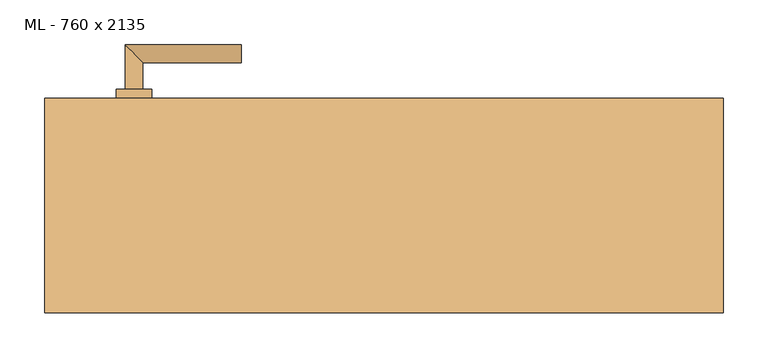
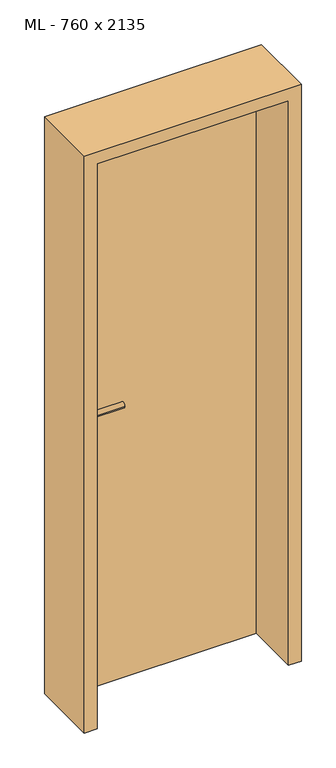
"""IFC4 building model written with IfcOpenShell, lengths in millimetres: door geometry, ML - 760 x 2135."""

from ifc_helpers import new_model, si_unit, point, frame, frame_2d, origin, origin_with_axes, place, context, project, spatial, polyline, circle_curve, ellipse_curve, trimmed, segment, composite_curve, outline, extrude, faceted_brep, source, transform, mapped, element, save
from ifc_brep_helpers import plane_surface, cylinder_surface, advanced_brep


def ml_760_x_2135_5be0885f(model_context):
    return source(origin(), model_context, "Body", "SolidModel", [
        extrude(outline(polyline([(346.0, 120.0), (346.0, 75.0), (-346.0, 75.0), (-346.0, 120.0), (346.0, 120.0)])), origin_with_axes(), (0.0, 0.0, 1.0), 2101.0),
        advanced_brep(
        [(-270.0, 130.0, 1050.0), (-290.0, 130.0, 1050.0), (-270.0, 160.0, 1050.0), (-290.0, 180.0, 1050.0), (-160.0, 160.0, 1050.0), (-160.0, 180.0, 1050.0)],
        [
            (0, 1, circle_curve(frame((-280.0, 130.0, 1050.0), z_axis=(0.0, -1.0, 0.0), x_axis=(-1.0, 0.0, 0.0)), 10.0)),
            (1, 0, circle_curve(frame((-280.0, 130.0, 1050.0), z_axis=(0.0, -1.0, 0.0), x_axis=(-1.0, 0.0, 0.0)), 10.0)),
            (0, 2),
            (2, 3, ellipse_curve(frame((-280.0, 170.0, 1050.0), z_axis=(-0.7071067811865531, -0.7071067811865419, 0.0), x_axis=(0.707106781186542, -0.707106781186553, 0.0)), 14.1421356, 10.0)),
            (3, 1),
            (3, 2, ellipse_curve(frame((-280.0, 170.0, 1050.0), z_axis=(-0.7071067811865531, -0.7071067811865419, 0.0), x_axis=(0.707106781186542, -0.707106781186553, 0.0)), 14.1421356, 10.0)),
            (4, 5, circle_curve(frame((-160.0, 170.0, 1050.0), z_axis=(1.0, 0.0, 0.0), x_axis=(0.0, 1.0, 0.0)), 10.0)),
            (5, 4, circle_curve(frame((-160.0, 170.0, 1050.0), z_axis=(1.0, 0.0, 0.0), x_axis=(0.0, 1.0, 0.0)), 10.0)),
            (2, 4),
            (5, 3),
        ],
        [
            plane_surface(frame((-280.0, 130.0, 1050.0), z_axis=(0.0, -1.0, 0.0), x_axis=(0.0, 0.0, 1.0))),
            cylinder_surface(frame((-280.0, 130.0, 1050.0), z_axis=(0.0, -1.0, 0.0), x_axis=(-1.0, 0.0, 0.0)), 10.0),
            plane_surface(frame((-160.0, 170.0, 1050.0), z_axis=(1.0, 0.0, 0.0), x_axis=(0.0, 0.0, 1.0))),
            cylinder_surface(frame((-280.0, 170.0, 1050.0), z_axis=(-1.0, 0.0, 0.0), x_axis=(0.0, 1.0, 0.0)), 10.0),
        ],
        [
            (0, [[1, 2]]),
            (1, [[-1, 3, 4, 5]]),
            (1, [[-2, -5, 6, -3]]),
            (2, [[7, 8]]),
            (3, [[-4, 9, -8, 10]]),
            (3, [[-6, -10, -7, -9]]),
        ],
    ),
        extrude(outline(composite_curve([segment(trimmed(circle_curve(frame_2d((990.0, -280.0)), 20.0), [point((990.0, -300.0))], [point((990.0, -260.0))], False, "CARTESIAN"), True, "CONTINUOUS"), segment(trimmed(circle_curve(frame_2d((990.0, -280.0)), 20.0), [point((990.0, -260.0))], [point((990.0, -300.0))], False, "CARTESIAN"), True, "CONTINUOUS")], self_intersect=False), holes=[composite_curve([segment(polyline([(976.4601385, -282.397268), (988.4749012, -282.397268)]), True, "CONTINUOUS"), segment(trimmed(circle_curve(frame_2d((995.0361633, -280.0)), 6.9854888), [point((988.4749012, -282.397268))], [point((988.4749012, -277.602732))], True, "CARTESIAN"), True, "CONTINUOUS"), segment(polyline([(988.4749012, -277.602732), (976.4601385, -277.602732)]), True, "CONTINUOUS"), segment(trimmed(circle_curve(frame_2d((976.4601385, -280.0)), 2.397268), [point((976.4601385, -277.602732))], [point((976.4601385, -282.397268))], True, "CARTESIAN"), True, "CONTINUOUS")], self_intersect=False)]), frame((0.0, 120.0, 0.0), z_axis=(0.0, 1.0, 0.0), x_axis=(0.0, 0.0, 1.0)), (0.0, 0.0, 1.0), 10.0),
        advanced_brep(
        [(-270.0, 130.0, 1050.0), (-290.0, 130.0, 1050.0), (-270.0, 160.0, 1050.0), (-290.0, 180.0, 1050.0), (-160.0, 160.0, 1050.0), (-160.0, 180.0, 1050.0)],
        [
            (0, 1, circle_curve(frame((-280.0, 130.0, 1050.0), z_axis=(0.0, -1.0, 0.0), x_axis=(-1.0, 0.0, 0.0)), 10.0)),
            (1, 0, circle_curve(frame((-280.0, 130.0, 1050.0), z_axis=(0.0, -1.0, 0.0), x_axis=(-1.0, 0.0, 0.0)), 10.0)),
            (0, 2),
            (2, 3, ellipse_curve(frame((-280.0, 170.0, 1050.0), z_axis=(-0.7071067811865537, -0.7071067811865414, 0.0), x_axis=(0.7071067811865414, -0.7071067811865536, 0.0)), 14.1421356, 10.0)),
            (3, 1),
            (3, 2, ellipse_curve(frame((-280.0, 170.0, 1050.0), z_axis=(-0.7071067811865537, -0.7071067811865414, 0.0), x_axis=(0.7071067811865414, -0.7071067811865536, 0.0)), 14.1421356, 10.0)),
            (4, 5, circle_curve(frame((-160.0, 170.0, 1050.0), z_axis=(1.0, 0.0, 0.0), x_axis=(0.0, 1.0, 0.0)), 10.0)),
            (5, 4, circle_curve(frame((-160.0, 170.0, 1050.0), z_axis=(1.0, 0.0, 0.0), x_axis=(0.0, 1.0, 0.0)), 10.0)),
            (2, 4),
            (5, 3),
        ],
        [
            plane_surface(frame((-280.0, 130.0, 1050.0), z_axis=(0.0, -1.0, 0.0), x_axis=(0.0, 0.0, 1.0))),
            cylinder_surface(frame((-280.0, 130.0, 1050.0), z_axis=(0.0, -1.0, 0.0), x_axis=(-1.0, 0.0, 0.0)), 10.0),
            plane_surface(frame((-160.0, 170.0, 1050.0), z_axis=(1.0, 0.0, 0.0), x_axis=(0.0, 0.0, 1.0))),
            cylinder_surface(frame((-280.0, 170.0, 1050.0), z_axis=(-1.0, 0.0, 0.0), x_axis=(0.0, 1.0, 0.0)), 10.0),
        ],
        [
            (0, [[1, 2]]),
            (1, [[-1, 3, 4, 5]]),
            (1, [[-2, -5, 6, -3]]),
            (2, [[7, 8]]),
            (3, [[-4, 9, -8, 10]]),
            (3, [[-6, -10, -7, -9]]),
        ],
    ),
        extrude(outline(composite_curve([segment(trimmed(circle_curve(frame_2d((1050.0, -280.0)), 20.0), [point((1050.0, -300.0))], [point((1050.0, -260.0))], False, "CARTESIAN"), True, "CONTINUOUS"), segment(trimmed(circle_curve(frame_2d((1050.0, -280.0)), 20.0), [point((1050.0, -260.0))], [point((1050.0, -300.0))], False, "CARTESIAN"), True, "CONTINUOUS")], self_intersect=False)), frame((0.0, 120.0, 0.0), z_axis=(0.0, 1.0, 0.0), x_axis=(0.0, 0.0, 1.0)), (0.0, 0.0, 1.0), 10.0),
        advanced_brep(
        [(-270.0, 65.0, 1050.0), (-290.0, 65.0, 1050.0), (-290.0, 15.0, 1050.0), (-270.0, 35.0, 1050.0), (-160.0, 35.0, 1050.0), (-160.0, 15.0, 1050.0)],
        [
            (0, 1, circle_curve(frame((-280.0, 65.0, 1050.0), z_axis=(0.0, 1.0, 0.0), x_axis=(-1.0, 0.0, 0.0)), 10.0)),
            (1, 0, circle_curve(frame((-280.0, 65.0, 1050.0), z_axis=(0.0, 1.0, 0.0), x_axis=(-1.0, 0.0, 0.0)), 10.0)),
            (1, 2),
            (2, 3, ellipse_curve(frame((-280.0, 25.0, 1050.0), z_axis=(-0.7071067811865486, 0.7071067811865464, 0.0), x_axis=(0.7071067811865464, 0.7071067811865488, 0.0)), 14.1421356, 10.0)),
            (3, 0),
            (3, 2, ellipse_curve(frame((-280.0, 25.0, 1050.0), z_axis=(-0.7071067811865486, 0.7071067811865464, 0.0), x_axis=(0.7071067811865464, 0.7071067811865488, 0.0)), 14.1421356, 10.0)),
            (4, 5, circle_curve(frame((-160.0, 25.0, 1050.0), z_axis=(1.0, 0.0, 0.0), x_axis=(0.0, -1.0, 0.0)), 10.0)),
            (5, 4, circle_curve(frame((-160.0, 25.0, 1050.0), z_axis=(1.0, 0.0, 0.0), x_axis=(0.0, -1.0, 0.0)), 10.0)),
            (2, 5),
            (4, 3),
        ],
        [
            plane_surface(frame((-280.0, 65.0, 1050.0), z_axis=(0.0, 1.0, 0.0), x_axis=(0.0, 0.0, 1.0))),
            cylinder_surface(frame((-280.0, 65.0, 1050.0), z_axis=(0.0, 1.0, 0.0), x_axis=(-1.0, 0.0, 0.0)), 10.0),
            plane_surface(frame((-160.0, 25.0, 1050.0), z_axis=(1.0, 0.0, 0.0), x_axis=(0.0, 0.0, 1.0))),
            cylinder_surface(frame((-280.0, 25.0, 1050.0), z_axis=(-1.0, 0.0, 0.0), x_axis=(0.0, -1.0, 0.0)), 10.0),
        ],
        [
            (0, [[1, 2]]),
            (1, [[3, 4, 5, -2]]),
            (1, [[-5, 6, -3, -1]]),
            (2, [[7, 8]]),
            (3, [[9, -7, 10, -4]]),
            (3, [[-10, -8, -9, -6]]),
        ],
    ),
        extrude(outline(composite_curve([segment(trimmed(circle_curve(frame_2d((990.0, -280.0)), 20.0), [point((990.0, -300.0))], [point((990.0, -260.0))], False, "CARTESIAN"), True, "CONTINUOUS"), segment(trimmed(circle_curve(frame_2d((990.0, -280.0)), 20.0), [point((990.0, -260.0))], [point((990.0, -300.0))], False, "CARTESIAN"), True, "CONTINUOUS")], self_intersect=False), holes=[composite_curve([segment(polyline([(976.4601385, -282.397268), (988.4749012, -282.397268)]), True, "CONTINUOUS"), segment(trimmed(circle_curve(frame_2d((995.0361633, -280.0)), 6.9854888), [point((988.4749012, -282.397268))], [point((988.4749012, -277.602732))], True, "CARTESIAN"), True, "CONTINUOUS"), segment(polyline([(988.4749012, -277.602732), (976.4601385, -277.602732)]), True, "CONTINUOUS"), segment(trimmed(circle_curve(frame_2d((976.4601385, -280.0)), 2.397268), [point((976.4601385, -277.602732))], [point((976.4601385, -282.397268))], True, "CARTESIAN"), True, "CONTINUOUS")], self_intersect=False)]), frame((0.0, 65.0, 0.0), z_axis=(0.0, 1.0, 0.0), x_axis=(0.0, 0.0, 1.0)), (0.0, 0.0, 1.0), 10.0),
        advanced_brep(
        [(-270.0, 65.0, 1050.0), (-290.0, 65.0, 1050.0), (-290.0, 15.0, 1050.0), (-270.0, 35.0, 1050.0), (-160.0, 35.0, 1050.0), (-160.0, 15.0, 1050.0)],
        [
            (0, 1, circle_curve(frame((-280.0, 65.0, 1050.0), z_axis=(0.0, 1.0, 0.0), x_axis=(-1.0, 0.0, 0.0)), 10.0)),
            (1, 0, circle_curve(frame((-280.0, 65.0, 1050.0), z_axis=(0.0, 1.0, 0.0), x_axis=(-1.0, 0.0, 0.0)), 10.0)),
            (1, 2),
            (2, 3, ellipse_curve(frame((-280.0, 25.0, 1050.0), z_axis=(-0.7071067811865491, 0.7071067811865459, 0.0), x_axis=(0.7071067811865458, 0.7071067811865492, 0.0)), 14.1421356, 10.0)),
            (3, 0),
            (3, 2, ellipse_curve(frame((-280.0, 25.0, 1050.0), z_axis=(-0.7071067811865491, 0.7071067811865459, 0.0), x_axis=(0.7071067811865458, 0.7071067811865492, 0.0)), 14.1421356, 10.0)),
            (4, 5, circle_curve(frame((-160.0, 25.0, 1050.0), z_axis=(1.0, 0.0, 0.0), x_axis=(0.0, -1.0, 0.0)), 10.0)),
            (5, 4, circle_curve(frame((-160.0, 25.0, 1050.0), z_axis=(1.0, 0.0, 0.0), x_axis=(0.0, -1.0, 0.0)), 10.0)),
            (2, 5),
            (4, 3),
        ],
        [
            plane_surface(frame((-280.0, 65.0, 1050.0), z_axis=(0.0, 1.0, 0.0), x_axis=(0.0, 0.0, 1.0))),
            cylinder_surface(frame((-280.0, 65.0, 1050.0), z_axis=(0.0, 1.0, 0.0), x_axis=(-1.0, 0.0, 0.0)), 10.0),
            plane_surface(frame((-160.0, 25.0, 1050.0), z_axis=(1.0, 0.0, 0.0), x_axis=(0.0, 0.0, 1.0))),
            cylinder_surface(frame((-280.0, 25.0, 1050.0), z_axis=(-1.0, 0.0, 0.0), x_axis=(0.0, -1.0, 0.0)), 10.0),
        ],
        [
            (0, [[1, 2]]),
            (1, [[3, 4, 5, -2]]),
            (1, [[-5, 6, -3, -1]]),
            (2, [[7, 8]]),
            (3, [[9, -7, 10, -4]]),
            (3, [[-10, -8, -9, -6]]),
        ],
    ),
        extrude(outline(composite_curve([segment(trimmed(circle_curve(frame_2d((1050.0, -280.0)), 20.0), [point((1050.0, -300.0))], [point((1050.0, -260.0))], False, "CARTESIAN"), True, "CONTINUOUS"), segment(trimmed(circle_curve(frame_2d((1050.0, -280.0)), 20.0), [point((1050.0, -260.0))], [point((1050.0, -300.0))], False, "CARTESIAN"), True, "CONTINUOUS")], self_intersect=False)), frame((0.0, 65.0, 0.0), z_axis=(0.0, 1.0, 0.0), x_axis=(0.0, 0.0, 1.0)), (0.0, 0.0, 1.0), 10.0),
        faceted_brep([(-350.0, 120.0, 0.0), (-350.0, 75.0, 0.0), (-335.0, 75.0, 0.0), (-335.0, -120.0, 0.0), (-380.0, -120.0, 0.0), (-380.0, 120.0, 0.0), (-350.0, 120.0, 2105.0), (-350.0, 75.0, 2105.0), (350.0, 75.0, 2105.0), (350.0, 75.0, 0.0), (335.0, 75.0, 0.0), (335.0, 75.0, 2090.0), (-335.0, 75.0, 2090.0), (-335.0, -120.0, 2090.0), (335.0, -120.0, 2090.0), (335.0, -120.0, 0.0), (380.0, -120.0, 0.0), (380.0, -120.0, 2135.0), (-380.0, -120.0, 2135.0), (-380.0, 120.0, 2135.0), (380.0, 120.0, 2135.0), (380.0, 120.0, 0.0), (350.0, 120.0, 0.0), (350.0, 120.0, 2105.0)], [[[0, 1, 2, 3, 4, 5]], [[1, 0, 6, 7]], [[2, 1, 7, 8, 9, 10, 11, 12]], [[3, 2, 12, 13]], [[4, 3, 13, 14, 15, 16, 17, 18]], [[5, 4, 18, 19]], [[0, 5, 19, 20, 21, 22, 23, 6]], [[20, 17, 16, 21]], [[22, 21, 16, 15, 10, 9]], [[8, 23, 22, 9]], [[14, 11, 10, 15]], [[19, 18, 17, 20]], [[13, 12, 11, 14]], [[7, 6, 23, 8]]]),
    ])


if __name__ == "__main__":
    model = new_model("IFC4")
    model_context = context("Model", 3, world=origin())
    ifc_project = project(units=[si_unit("LENGTHUNIT", "METRE", prefix="MILLI")], contexts=[model_context])
    site = spatial("IfcSite", under=ifc_project)
    building = spatial("IfcBuilding", under=site)
    placement = place(None, origin())
    ml_760_x_2135_shape = ml_760_x_2135_5be0885f(model_context)
    element("IfcDoor", 1, ObjectType="ML - 760 x 2135", at=placement, inside=building, context=model_context, shape_type="MappedRepresentation", body=[
        mapped(ml_760_x_2135_shape, transform((0.0, 0.0, 0.0), x_axis=(1.0, 0.0, 0.0), y_axis=(0.0, 1.0, 0.0), z_axis=(0.0, 0.0, 1.0))),
    ])
    save(model, "model.ifc")
